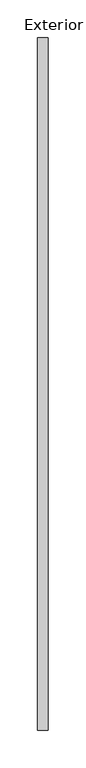
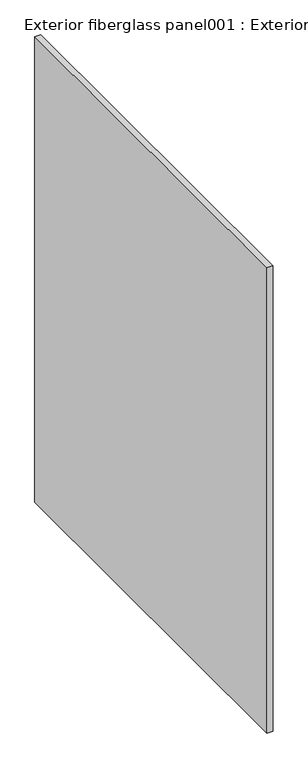
"""IFC4 building model written with IfcOpenShell, lengths in millimetres: proxy geometry, Exterior fiberglass panel001 : Exterior fiberglass panel001."""

import ifcopenshell
import ifcopenshell.guid

model = None  # the IFC model being written
_history = None  # IfcOwnerHistory: only IFC2X3 demands one
_inside = {}  # id of a spatial element -> (the spatial element, [elements in it])
_under = {}  # id of a project, library or spatial element -> (it, [spatial elements below it])
_declared = {}  # id of a project -> (the project, [libraries it declares])
_typed = {}  # id of a type object -> (the type object, [elements of that type])
_made_of = {}  # id of a material, layer set ... -> (it, [elements and type objects made of it])


def new_model(schema):
    """Start an empty IFC model of exactly this schema.

    Asked for "IFC4X3", IfcOpenShell would pick the latest addendum, in which some entities
    have other attributes; the version numbers below select the first issue.
    IFC2X3 requires an IfcOwnerHistory on every rooted entity: one is made here for all.
    """
    global model, _history
    if schema == "IFC4X3":
        model = ifcopenshell.file(schema_version=(4, 3, 0, 0))
    else:
        model = ifcopenshell.file(schema=schema)
    _inside.clear()
    _under.clear()
    _declared.clear()
    _typed.clear()
    _made_of.clear()
    _history = None
    if model.schema == "IFC2X3":
        org = make("IfcOrganization", Name="unknown")
        user = make(
            "IfcPersonAndOrganization",
            ThePerson=make("IfcPerson", FamilyName="unknown"),
            TheOrganization=org,
        )
        app = make(
            "IfcApplication",
            ApplicationDeveloper=org,
            Version="unknown",
            ApplicationFullName="unknown",
            ApplicationIdentifier="unknown",
        )
        _history = make(
            "IfcOwnerHistory",
            OwningUser=user,
            OwningApplication=app,
            ChangeAction="ADDED",
            CreationDate=0,
        )
    return model


def make(cls, **values):
    """One entity of the class cls with the attributes given. An attribute that is None is left unset."""
    return model.create_entity(
        cls, **{name: value for name, value in values.items() if value is not None}
    )


def rooted(cls, **values):
    """An entity with a GlobalId (a new one), such as an element, a storey or a relation."""
    return make(cls, GlobalId=ifcopenshell.guid.new(), OwnerHistory=_history, **values)


def si_unit(unit_type, name, prefix=None):
    """IfcSIUnit, for example si_unit("LENGTHUNIT", "METRE", prefix="MILLI")."""
    return make("IfcSIUnit", UnitType=unit_type, Prefix=prefix, Name=name)


def assignment(units):
    """IfcUnitAssignment: the units of a project."""
    return None if units is None else make("IfcUnitAssignment", Units=units)


def point(xyz):
    """IfcCartesianPoint."""
    return None if xyz is None else make("IfcCartesianPoint", Coordinates=xyz)


def direction(xyz):
    """IfcDirection."""
    return None if xyz is None else make("IfcDirection", DirectionRatios=xyz)


def frame(location, z_axis=None, x_axis=None):
    """IfcAxis2Placement3D, a coordinate frame: its origin and axes. An axis left out is left unset."""
    return make(
        "IfcAxis2Placement3D",
        Location=point(location),
        Axis=direction(z_axis),
        RefDirection=direction(x_axis),
    )


def origin():
    """The frame at (0, 0, 0) with its axes left unset."""
    return frame((0.0, 0.0, 0.0))


def place(relative_to, where):
    """IfcLocalPlacement: puts the frame where relative to a parent placement (None: the world)."""
    return make(
        "IfcLocalPlacement", PlacementRelTo=relative_to, RelativePlacement=where
    )


def context(
    kind, dimensions, precision=None, world=None, true_north=None, identifier=None
):
    """IfcGeometricRepresentationContext, for example the 3D "Model" context."""
    return make(
        "IfcGeometricRepresentationContext",
        ContextIdentifier=identifier,
        ContextType=kind,
        CoordinateSpaceDimension=dimensions,
        Precision=precision,
        WorldCoordinateSystem=world,
        TrueNorth=true_north,
    )


def project(units=None, contexts=None):
    """IfcProject with its units and contexts."""
    return rooted(
        "IfcProject",
        Name="project",
        RepresentationContexts=contexts,
        UnitsInContext=assignment(units),
    )


def spatial(cls, under=None, at=None, **own):
    """A site, building, storey or space (cls), placed at a placement, below another one or the project."""
    s = rooted(cls, ObjectPlacement=at, **own)
    if under is not None:
        _under.setdefault(under.id(), (under, []))[1].append(s)
    return s


def polyline(points):
    """IfcPolyline through the points."""
    return make("IfcPolyline", Points=[point(p) for p in points])


def outline(outer, holes=None, kind="AREA"):
    """IfcArbitraryClosedProfileDef: a profile drawn as a closed curve; with holes, ...WithVoids."""
    if holes is None:
        return make("IfcArbitraryClosedProfileDef", ProfileType=kind, OuterCurve=outer)
    return make(
        "IfcArbitraryProfileDefWithVoids",
        ProfileType=kind,
        OuterCurve=outer,
        InnerCurves=holes,
    )


def extrude(swept, where, along, depth):
    """IfcExtrudedAreaSolid: the profile swept, set in the frame where, extruded along a direction by depth."""
    return make(
        "IfcExtrudedAreaSolid",
        SweptArea=swept,
        Position=where,
        ExtrudedDirection=direction(along),
        Depth=depth,
    )


def shape(context_of_items, identifier, shape_type, items):
    """IfcShapeRepresentation: the items that make up one representation, for example the "Body"."""
    return make(
        "IfcShapeRepresentation",
        ContextOfItems=context_of_items,
        RepresentationIdentifier=identifier,
        RepresentationType=shape_type,
        Items=items,
    )


def source(mapping_origin, context_of_items, identifier, shape_type, items):
    """IfcRepresentationMap: a shape defined once, which mapped items show again and again."""
    return make(
        "IfcRepresentationMap",
        MappingOrigin=mapping_origin,
        MappedRepresentation=shape(context_of_items, identifier, shape_type, items),
    )


def transform(
    local_origin,
    x_axis=None,
    y_axis=None,
    z_axis=None,
    scale=None,
    scale2=None,
    scale3=None,
    uniform=True,
):
    """IfcCartesianTransformationOperator3D, or its non-uniform kind. x_axis, y_axis, z_axis: its Axis1, 2, 3."""
    if uniform:
        return make(
            "IfcCartesianTransformationOperator3D",
            Axis1=direction(x_axis),
            Axis2=direction(y_axis),
            LocalOrigin=point(local_origin),
            Scale=scale,
            Axis3=direction(z_axis),
        )
    return make(
        "IfcCartesianTransformationOperator3DnonUniform",
        Axis1=direction(x_axis),
        Axis2=direction(y_axis),
        LocalOrigin=point(local_origin),
        Scale=scale,
        Axis3=direction(z_axis),
        Scale2=scale2,
        Scale3=scale3,
    )


def mapped(mapping_source, mapping_target):
    """IfcMappedItem: shows the shape of a source again, moved by a transform."""
    return make(
        "IfcMappedItem", MappingSource=mapping_source, MappingTarget=mapping_target
    )


def made_of(thing, what):
    """Note that an element or type object is made of a material, layer set ...; save() writes the relation."""
    if what is not None:
        _made_of.setdefault(what.id(), (what, []))[1].append(thing)
    return thing


def element(
    cls,
    number,
    at=None,
    inside=None,
    cuts=None,
    type_object=None,
    material=None,
    context=None,
    identifier="Body",
    shape_type=None,
    held_by="IfcProductDefinitionShape",
    body=None,
    shapes=None,
    **own,
):
    """One element of the class cls, such as IfcWall. Its Tag is "e" and its number.

    at: its placement. inside: the storey or other place that contains it. cuts: it is an
    opening in that element (IfcRelVoidsElement). A single representation is given by context,
    identifier, shape_type and body (its items); several are given by shapes. held_by: the class
    of the entity that holds the representations. save() writes the other relations.
    """
    e = rooted(cls, Tag="e%d" % number, ObjectPlacement=at, **own)
    if body is not None:
        shapes = [shape(context, identifier, shape_type, body)]
    if shapes is not None:
        e.Representation = make(held_by, Representations=shapes)
    if inside is not None:
        _inside.setdefault(inside.id(), (inside, []))[1].append(e)
    if cuts is not None:
        rooted(
            "IfcRelVoidsElement", RelatingBuildingElement=cuts, RelatedOpeningElement=e
        )
    if type_object is not None:
        _typed.setdefault(type_object.id(), (type_object, []))[1].append(e)
    return made_of(e, material)


def aggregate(whole, parts):
    """IfcRelAggregates: a whole, such as a stair, and the parts it consists of."""
    return rooted("IfcRelAggregates", RelatingObject=whole, RelatedObjects=parts)


def save(model, path):
    """Write the relations noted so far, then the file.

    IfcRelAggregates (storeys below a building ...), IfcRelContainedInSpatialStructure (elements
    in a storey), IfcRelDefinesByType, IfcRelAssociatesMaterial and IfcRelDeclares: one each for
    every whole, place, type object, material and project.
    """
    for whole, parts in _under.values():
        aggregate(whole, parts)
    for where, things in _inside.values():
        rooted(
            "IfcRelContainedInSpatialStructure",
            RelatedElements=things,
            RelatingStructure=where,
        )
    for kind, things in _typed.values():
        rooted("IfcRelDefinesByType", RelatedObjects=things, RelatingType=kind)
    for what, things in _made_of.values():
        rooted("IfcRelAssociatesMaterial", RelatedObjects=things, RelatingMaterial=what)
    for by, libraries in _declared.values():
        rooted("IfcRelDeclares", RelatingContext=by, RelatedDefinitions=libraries)
    model.write(path)


def exterior_fiberglass_panel001_exterior_fiberglass_panel001_8bcd3528(model_context):
    return source(origin(), model_context, "Body", "SweptSolid", [
        extrude(outline(polyline([(38234.875, -25196.3529893), (38221.2210168, -25196.3529893), (38221.2210168, -24281.9529893), (38234.875, -24281.9529893), (38234.875, -25196.3529893)])), frame((0.0, 0.0, 2984.5000977), z_axis=(0.0, 0.0, 1.0), x_axis=(1.0, 0.0, 0.0)), (0.0, 0.0, 1.0), 1117.6),
    ])


if __name__ == "__main__":
    model = new_model("IFC4")
    model_context = context("Model", 3, world=origin())
    ifc_project = project(units=[si_unit("LENGTHUNIT", "METRE", prefix="MILLI")], contexts=[model_context])
    site = spatial("IfcSite", under=ifc_project)
    building = spatial("IfcBuilding", under=site)
    placement = place(None, origin())
    exterior_fiberglass_panel001_exterior_fiberglass_panel001_shape = exterior_fiberglass_panel001_exterior_fiberglass_panel001_8bcd3528(model_context)
    element("IfcBuildingElementProxy", 1, Name="Exterior fiberglass panel001 : Exterior fiberglass panel001", ObjectType="Exterior fiberglass panel001 : Exterior fiberglass panel001", at=placement, inside=building, context=model_context, shape_type="MappedRepresentation", body=[
        mapped(exterior_fiberglass_panel001_exterior_fiberglass_panel001_shape, transform((0.0, 0.0, 0.0), x_axis=(1.0, 0.0, 0.0), y_axis=(0.0, 1.0, 0.0), z_axis=(0.0, 0.0, 1.0))),
    ])
    save(model, "model.ifc")
